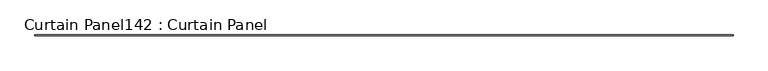
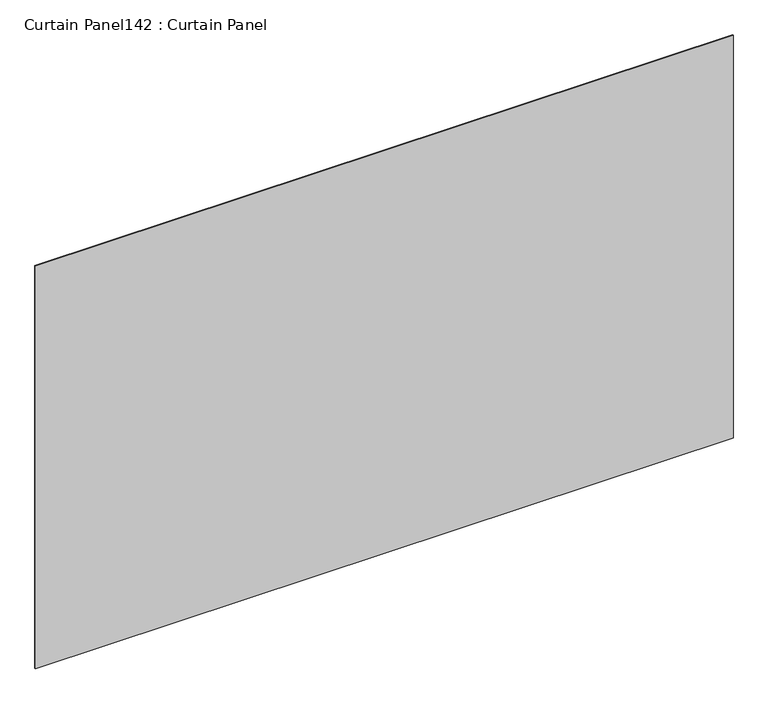
"""IFC4 building model written with IfcOpenShell, lengths in millimetres: plate geometry, Curtain Panel142 : Curtain Panel."""

from ifc_helpers import new_model, si_unit, frame, origin, place, context, project, spatial, polyline, outline, extrude, source, transform, mapped, element, save


def curtain_panel142_curtain_panel_4043733f(model_context):
    return source(origin(), model_context, "Body", "SweptSolid", [
        extrude(outline(polyline([(351731.8925793, 1983.593529), (346741.3565103, 1983.593529), (346741.3565103, 1989.943529), (351731.8925793, 1989.943529), (351731.8925793, 1983.593529)])), frame((0.0, 0.0, 5632.7163816), z_axis=(0.0, 0.0, 1.0), x_axis=(1.0, 0.0, 0.0)), (0.0, 0.0, 1.0), 3048.0),
    ])


if __name__ == "__main__":
    model = new_model("IFC4")
    model_context = context("Model", 3, world=origin())
    ifc_project = project(units=[si_unit("LENGTHUNIT", "METRE", prefix="MILLI")], contexts=[model_context])
    site = spatial("IfcSite", under=ifc_project)
    building = spatial("IfcBuilding", under=site)
    placement = place(None, origin())
    curtain_panel142_curtain_panel_shape = curtain_panel142_curtain_panel_4043733f(model_context)
    element("IfcPlate", 1, ObjectType="Curtain Panel142 : Curtain Panel", at=placement, inside=building, context=model_context, shape_type="MappedRepresentation", body=[
        mapped(curtain_panel142_curtain_panel_shape, transform((0.0, 0.0, 0.0), x_axis=(1.0, 0.0, 0.0), y_axis=(0.0, 1.0, 0.0), z_axis=(0.0, 0.0, 1.0))),
    ])
    save(model, "model.ifc")
